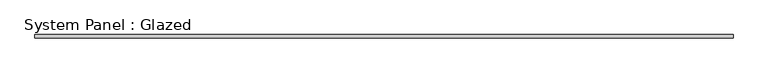
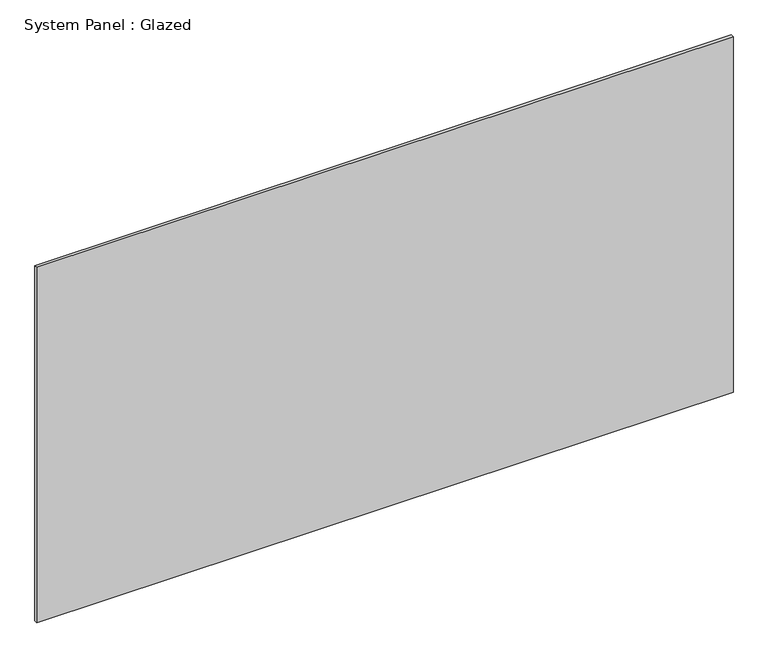
"""IFC4 building model written with IfcOpenShell, lengths in millimetres: plate geometry, System Panel : Glazed."""

from ifc_helpers import new_model, si_unit, origin, origin_with_axes, place, context, project, spatial, polyline, outline, extrude, source, transform, mapped, element, save


def system_panel_glazed_463cc6fd(model_context):
    return source(origin(), model_context, "Body", "SweptSolid", [
        extrude(outline(polyline([(2780.0018318, 24.5), (-2780.0018318, 24.5), (-2780.0018318, 49.5), (2780.0018318, 49.5), (2780.0018318, 24.5)])), origin_with_axes(), (0.0, 0.0, 1.0), 3000.0),
    ])


if __name__ == "__main__":
    model = new_model("IFC4")
    model_context = context("Model", 3, world=origin())
    ifc_project = project(units=[si_unit("LENGTHUNIT", "METRE", prefix="MILLI")], contexts=[model_context])
    site = spatial("IfcSite", under=ifc_project)
    building = spatial("IfcBuilding", under=site)
    placement = place(None, origin())
    system_panel_glazed_shape = system_panel_glazed_463cc6fd(model_context)
    element("IfcPlate", 1, ObjectType="System Panel : Glazed", at=placement, inside=building, context=model_context, shape_type="MappedRepresentation", body=[
        mapped(system_panel_glazed_shape, transform((0.0, 0.0, 0.0), x_axis=(1.0, 0.0, 0.0), y_axis=(0.0, 1.0, 0.0), z_axis=(0.0, 0.0, 1.0))),
    ])
    save(model, "model.ifc")
